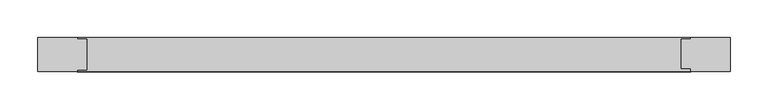
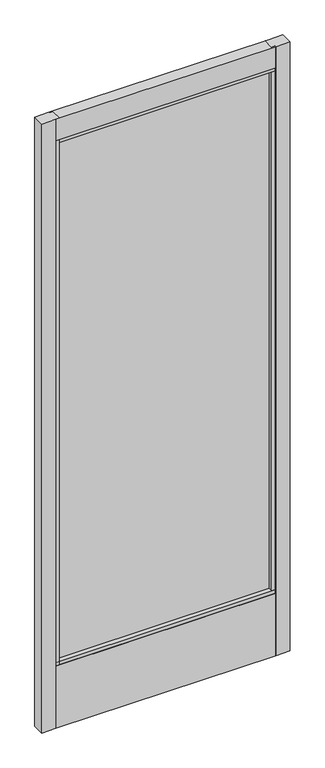
"""IFC4 building model written with IfcOpenShell, lengths in millimetres: plate geometry."""

from ifc_helpers import new_model, si_unit, frame, origin, place, context, project, spatial, polyline, outline, extrude, source, transform, mapped, element, save


def plate_a881d5d1(model_context):
    return source(origin(), model_context, "Body", "SweptSolid", [
        extrude(outline(polyline([(-455.6125, 30.1625), (-404.0086295, 30.1625), (-404.0086295, 28.6026195), (-391.3086295, 28.6026195), (-391.3086295, -12.4179584), (-404.0086295, -12.4179584), (-404.0086295, -14.2875), (-455.6125, -14.2875), (-455.6125, 30.1625)])), frame((0.0, 0.0, 17.4625), z_axis=(0.0, 0.0, 1.0), x_axis=(1.0, 0.0, 0.0)), (0.0, 0.0, 1.0), 2363.3594027),
        extrude(outline(polyline([(-399.7001658, 4.9758145), (-399.7001658, 11.3258145), (396.0896719, 11.3258145), (396.0896719, 4.9758145), (-399.7001658, 4.9758145)])), frame((0.0, 0.0, 263.906), z_axis=(0.0, 0.0, 1.0), x_axis=(1.0, 0.0, 0.0)), (0.0, 0.0, 1.0), 2029.6034027),
        extrude(outline(polyline([(455.6125, 30.1625), (455.6125, -14.2875), (404.0086295, -14.2875), (404.0086295, -10.1822968), (391.3086295, -10.1822968), (391.3086295, 28.6026195), (404.0086295, 28.6026195), (404.0086295, 30.1625), (455.6125, 30.1625)])), frame((0.0, 0.0, 17.4625), z_axis=(0.0, 0.0, 1.0), x_axis=(1.0, 0.0, 0.0)), (0.0, 0.0, 1.0), 2363.3594027),
        extrude(outline(polyline([(-14.2875, 2380.8219027), (30.1625, 2380.8219027), (30.1625, 2298.2746967), (28.6026195, 2298.2746967), (28.6026195, 2285.5719027), (-12.4179584, 2285.5719027), (-12.4179584, 2298.2746967), (-14.2875, 2298.2746967), (-14.2875, 2380.8219027)])), frame((-404.0086295, 0.0, 0.0), z_axis=(1.0, 0.0, 0.0), x_axis=(0.0, 1.0, 0.0)), (0.0, 0.0, 1.0), 808.017259),
        extrude(outline(polyline([(-12.4179584, 271.4298836), (28.6026195, 271.4298836), (28.6026195, 258.7303916), (30.1625, 258.7303916), (30.1625, 17.4625), (-14.2875, 17.4625), (-14.2875, 258.7303916), (-12.4179584, 258.7303916), (-12.4179584, 271.4298836)])), frame((-404.0086295, 0.0, 0.0), z_axis=(1.0, 0.0, 0.0), x_axis=(0.0, 1.0, 0.0)), (0.0, 0.0, 1.0), 808.017259),
    ])


if __name__ == "__main__":
    model = new_model("IFC4")
    model_context = context("Model", 3, world=origin())
    ifc_project = project(units=[si_unit("LENGTHUNIT", "METRE", prefix="MILLI")], contexts=[model_context])
    site = spatial("IfcSite", under=ifc_project)
    building = spatial("IfcBuilding", under=site)
    placement = place(None, origin())
    plate_shape = plate_a881d5d1(model_context)
    element("IfcPlate", 1, at=placement, inside=building, context=model_context, shape_type="MappedRepresentation", body=[
        mapped(plate_shape, transform((0.0, 0.0, 0.0), x_axis=(1.0, 0.0, 0.0), y_axis=(0.0, 1.0, 0.0), z_axis=(0.0, 0.0, 1.0))),
    ])
    save(model, "model.ifc")
